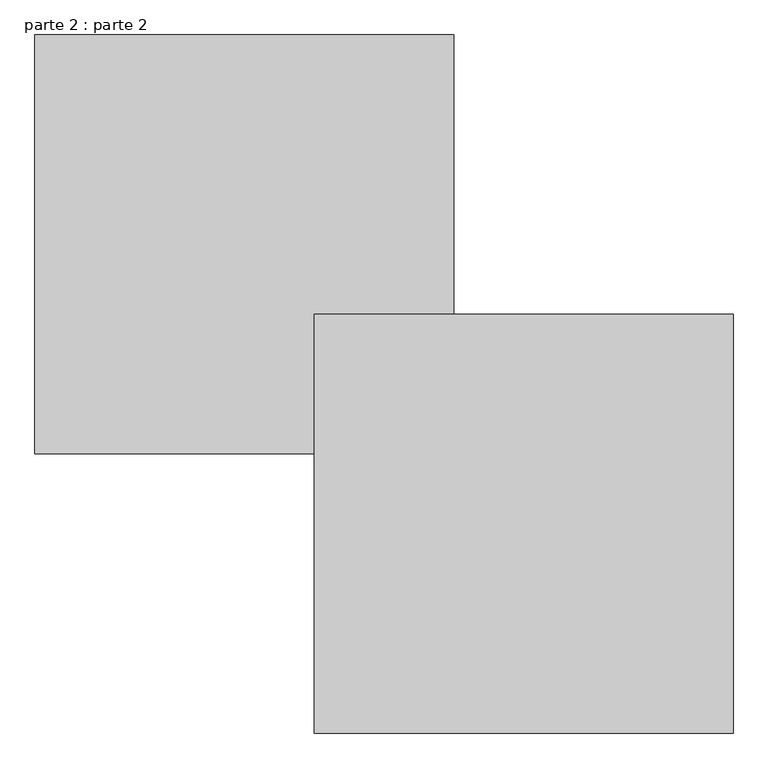
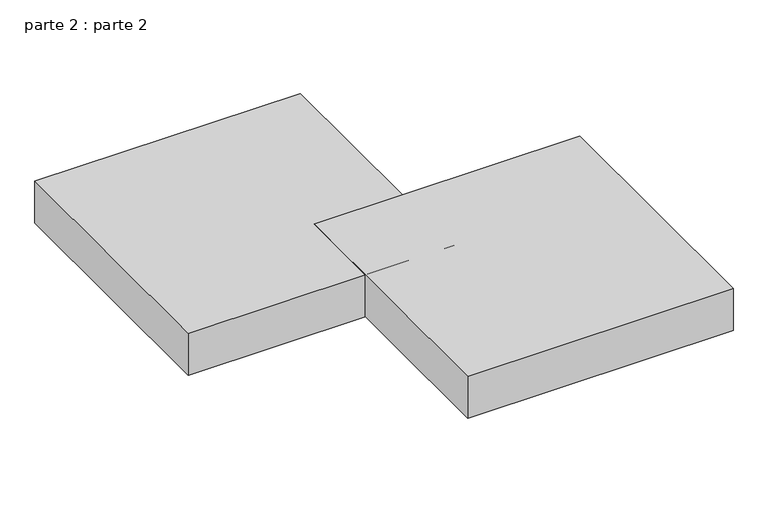
"""IFC4 building model written with IfcOpenShell, lengths in millimetres: proxy geometry, parte 2 : parte 2."""

from ifc_helpers import new_model, si_unit, frame, origin, place, context, project, spatial, polyline, outline, extrude, source, transform, mapped, element, save


def parte_2_parte_2_3042bca1(model_context):
    return source(origin(), model_context, "Body", "SweptSolid", [
        extrude(outline(polyline([(1000.0, 600.0), (1000.0, 0.0), (400.0, 0.0), (400.0, 600.0), (1000.0, 600.0)])), frame((0.0, 0.0, 1700.0), z_axis=(0.0, 0.0, 1.0), x_axis=(1.0, 0.0, 0.0)), (0.0, 0.0, 1.0), 100.0),
        extrude(outline(polyline([(600.0, 1000.0), (600.0, 400.0), (0.0, 400.0), (0.0, 1000.0), (600.0, 1000.0)])), frame((0.0, 0.0, 1700.0), z_axis=(0.0, 0.0, 1.0), x_axis=(1.0, 0.0, 0.0)), (0.0, 0.0, 1.0), 100.0),
    ])


if __name__ == "__main__":
    model = new_model("IFC4")
    model_context = context("Model", 3, world=origin())
    ifc_project = project(units=[si_unit("LENGTHUNIT", "METRE", prefix="MILLI")], contexts=[model_context])
    site = spatial("IfcSite", under=ifc_project)
    building = spatial("IfcBuilding", under=site)
    placement = place(None, origin())
    parte_2_parte_2_shape = parte_2_parte_2_3042bca1(model_context)
    element("IfcBuildingElementProxy", 1, Name="parte 2 : parte 2", ObjectType="parte 2 : parte 2", at=placement, inside=building, context=model_context, shape_type="MappedRepresentation", body=[
        mapped(parte_2_parte_2_shape, transform((0.0, 0.0, 0.0), x_axis=(1.0, 0.0, 0.0), y_axis=(0.0, 1.0, 0.0), z_axis=(0.0, 0.0, 1.0))),
    ])
    save(model, "model.ifc")
